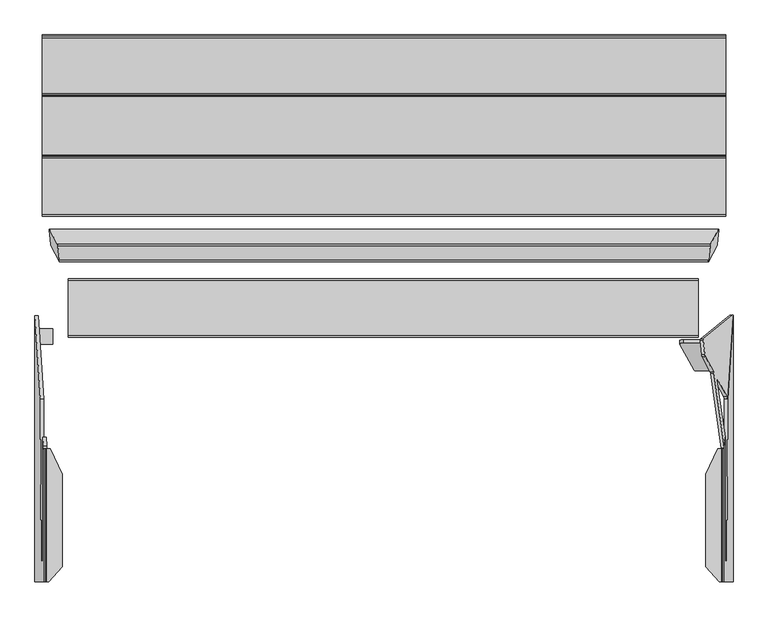
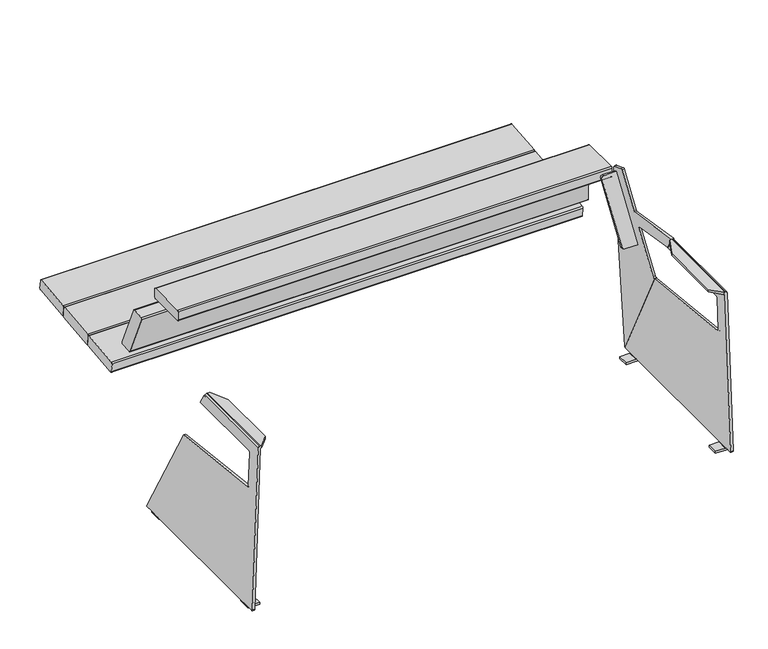
"""IFC4 building model written with IfcOpenShell, lengths in millimetres: furniture geometry."""

from ifc_helpers import new_model, si_unit, point, frame, frame_2d, origin, place, context, project, spatial, polyline, circle_curve, ellipse_curve, trimmed, segment, composite_curve, outline, extrude, source, transform, mapped, element, save
from ifc_brep_helpers import plane_surface, cylinder_surface, revolved_surface, advanced_brep


def furniture_3606b5ed(model_context):
    return source(origin(), model_context, "Body", "SolidModel", [
        advanced_brep(
        [(841.1573374, 515.8225178, 486.5435624), (840.1610678, 510.90581, 489.3411004), (-840.1610677, 510.90581, 489.3411004), (-841.1573372, 515.8225178, 486.5435624), (819.6569441, 472.8508286, 627.8716075), (-819.6569439, 472.8508286, 627.8716075), (819.5114125, 475.6483459, 632.7882793), (-819.5114123, 475.6483459, 632.7882793), (823.4460245, 511.3264532, 642.589505), (-823.4460243, 511.3264532, 642.589505), (824.442294, 516.2431611, 639.7919674), (-824.4422939, 516.2431611, 639.7919674), (844.946419, 554.2981509, 501.2614604), (-844.9464188, 554.2981509, 501.2614604), (845.0919506, 551.5006334, 496.3447884), (-845.0919504, 551.5006334, 496.3447884)],
        [
            (0, 1, ellipse_curve(frame((840.5864368, 514.7629227, 490.4006673), z_axis=(-0.9845272064646966, 0.1381784067166237, -0.10776320173452672), x_axis=(0.17523178858534885, 0.7763454442639485, -0.6054598016712524)), 4.0628639, 4.0)),
            (1, 2),
            (2, 3, ellipse_curve(frame((-840.5864367, 514.7629227, 490.4006673), z_axis=(0.9845272064646966, 0.13817840671662318, -0.10776320173452716), x_axis=(0.175231788585349, -0.776345444263946, 0.6054598016712555)), 4.0628639, 4.0)),
            (3, 0),
            (1, 4),
            (4, 5),
            (5, 2),
            (4, 6, ellipse_curve(frame((820.0823131, 476.7079412, 628.9311745), z_axis=(-0.9845272064646966, 0.1381784067166237, -0.10776320173452672), x_axis=(0.17523178858534885, 0.7763454442639485, -0.6054598016712524)), 4.0628639, 4.0)),
            (6, 7),
            (7, 5, ellipse_curve(frame((-820.0823129, 476.7079412, 628.9311745), z_axis=(0.9845272064646966, 0.13817840671662318, -0.10776320173452716), x_axis=(0.175231788585349, -0.776345444263946, 0.6054598016712555)), 4.0628639, 4.0)),
            (6, 8),
            (8, 9),
            (9, 7),
            (8, 10, ellipse_curve(frame((824.0169251, 512.3860486, 638.7324002), z_axis=(-0.9845272064646966, 0.1381784067166237, -0.10776320173452672), x_axis=(0.17523178858534885, 0.7763454442639485, -0.6054598016712524)), 4.0628639, 4.0)),
            (10, 11),
            (11, 9, ellipse_curve(frame((-824.0169249, 512.3860486, 638.7324002), z_axis=(0.9845272064646966, 0.13817840671662318, -0.10776320173452716), x_axis=(0.175231788585349, -0.776345444263946, 0.6054598016712555)), 4.0628639, 4.0)),
            (10, 12),
            (12, 13),
            (13, 11),
            (12, 14, ellipse_curve(frame((844.52105, 550.4410383, 500.2018933), z_axis=(-0.9845272064646966, 0.1381784067166237, -0.10776320173452672), x_axis=(0.17523178858534885, 0.7763454442639485, -0.6054598016712524)), 4.0628639, 4.0)),
            (14, 15),
            (15, 13, ellipse_curve(frame((-844.5210498, 550.4410383, 500.2018933), z_axis=(0.9845272064646966, 0.13817840671662318, -0.10776320173452716), x_axis=(0.175231788585349, -0.776345444263946, 0.6054598016712555)), 4.0628639, 4.0)),
            (14, 0),
            (3, 15),
        ],
        [
            cylinder_surface(frame((-849.4957131, 514.7629227, 490.4006673), z_axis=(1.0, 0.0, 0.0), x_axis=(0.0, 1.0, 0.0)), 4.0),
            plane_surface(frame((845.3239935, 472.8508286, 627.8716075), z_axis=(0.0, -0.9642781573688654, -0.2648917424558683), x_axis=(-1.0, 0.0, 0.0))),
            cylinder_surface(frame((-849.4957131, 476.7079412, 628.9311745), z_axis=(1.0, 0.0, 0.0), x_axis=(0.0, 1.0, 0.0)), 4.0),
            plane_surface(frame((845.3239935, 511.3264532, 642.589505), z_axis=(0.0, -0.2648988265500034, 0.9642762113069218), x_axis=(-1.0, 0.0, 0.0))),
            cylinder_surface(frame((-849.4957131, 512.3860486, 638.7324002), z_axis=(1.0, 0.0, 0.0), x_axis=(0.0, 1.0, 0.0)), 4.0),
            plane_surface(frame((845.3239935, 554.2981509, 501.2614604), z_axis=(0.0, 0.9642781425237719, 0.26489179649604944), x_axis=(-1.0, 0.0, 0.0))),
            cylinder_surface(frame((-849.4957131, 550.4410383, 500.2018933), z_axis=(1.0, 0.0, 0.0), x_axis=(0.0, 1.0, 0.0)), 4.0),
            plane_surface(frame((845.3239935, 515.8225178, 486.5435624), z_axis=(0.0, 0.26489877507604587, -0.964276225447465), x_axis=(-1.0, 0.0, 0.0))),
            plane_surface(frame((792.9247328, 409.2460037, 790.5410131), z_axis=(0.9845272064646966, -0.1381784067166237, 0.10776320173452672), x_axis=(0.10213209083076619, 0.95220597361255, 0.28787639680792154))),
            plane_surface(frame((-841.6872716, 510.5395139, 474.9279847), z_axis=(-0.9845272064646966, -0.13817840671662318, 0.10776320173452716), x_axis=(-0.10213209083076567, 0.9522059736125502, 0.2878763968079209))),
        ],
        [
            (0, [[1, 2, 3, 4]]),
            (1, [[5, 6, 7, -2]]),
            (2, [[8, 9, 10, -6]]),
            (3, [[11, 12, 13, -9]]),
            (4, [[14, 15, 16, -12]]),
            (5, [[17, 18, 19, -15]]),
            (6, [[20, 21, 22, -18]]),
            (7, [[23, -4, 24, -21]]),
            (8, [[-1, -23, -20, -17, -14, -11, -8, -5]]),
            (9, [[-3, -7, -10, -13, -16, -19, -22, -24]]),
        ],
    ),
        extrude(outline(polyline([(0.0, -19.9999999), (0.0, 0.0), (1612.8148813, 0.0), (1612.8148813, -19.9999999), (0.0, -19.9999999)])), frame((806.271869, 708.9963741, 329.0549245), z_axis=(0.0, -0.10862274800818948, 0.9940830441241564), x_axis=(-1.0, 0.0, 0.0)), (0.0, 0.0, 1.0), 40.0),
        extrude(outline(polyline([(0.0, -20.0), (0.0, 0.0), (1612.8148813, 0.0), (1612.8148813, -20.0), (0.0, -20.0)])), frame((806.271869, 923.2070815, 352.4615763), z_axis=(0.0, -0.10862274800818948, 0.9940830441241564), x_axis=(-1.0, 0.0, 0.0)), (0.0, 0.0, 1.0), 40.0),
        extrude(outline(composite_curve([segment(trimmed(circle_curve(frame_2d((591.158367, 402.3317688)), 4.0), [point((587.181957, 401.8979912))], [point((590.7245263, 406.308172))], False, "CARTESIAN"), True, "CONTINUOUS"), segment(polyline([(590.7245263, 406.308172), (733.6827839, 421.9054614)]), True, "CONTINUOUS"), segment(trimmed(circle_curve(frame_2d((734.1166246, 417.9290582)), 4.0), [point((733.6827839, 421.9054614))], [point((738.0930346, 418.3628359))], False, "CARTESIAN"), True, "CONTINUOUS"), segment(polyline([(738.0930346, 418.3628359), (741.6815989, 385.4667103)]), True, "CONTINUOUS"), segment(trimmed(circle_curve(frame_2d((737.7051889, 385.0329326)), 4.0), [point((741.6815989, 385.4667103))], [point((738.1389665, 381.0565226))], False, "CARTESIAN"), True, "CONTINUOUS"), segment(polyline([(738.1389665, 381.0565226), (595.1804616, 365.461501)]), True, "CONTINUOUS"), segment(trimmed(circle_curve(frame_2d((594.7466839, 369.4379111)), 4.0), [point((595.1804616, 365.461501))], [point((590.7702739, 369.0041334))], False, "CARTESIAN"), True, "CONTINUOUS"), segment(polyline([(590.7702739, 369.0041334), (587.181957, 401.8979912)]), True, "CONTINUOUS")], self_intersect=False)), frame((-862.974681, 0.0, 0.0), z_axis=(1.0, 0.0, 0.0), x_axis=(0.0, 1.0, 0.0)), (0.0, 0.0, 1.0), 1726.4316686),
        extrude(outline(composite_curve([segment(trimmed(circle_curve(frame_2d((742.0694309, 418.7967396)), 4.0), [point((738.0930209, 418.362962))], [point((741.6355902, 422.7731428))], False, "CARTESIAN"), True, "CONTINUOUS"), segment(polyline([(741.6355902, 422.7731428), (888.3456792, 438.7797713)]), True, "CONTINUOUS"), segment(trimmed(circle_curve(frame_2d((888.7795199, 434.8033681)), 4.0), [point((888.3456792, 438.7797713))], [point((892.7559299, 435.2371458))], False, "CARTESIAN"), True, "CONTINUOUS"), segment(polyline([(892.7559299, 435.2371458), (896.3447545, 402.3386345)]), True, "CONTINUOUS"), segment(trimmed(circle_curve(frame_2d((892.3683444, 401.9048569)), 4.0), [point((896.3447545, 402.3386345))], [point((892.8021221, 397.9284468))], False, "CARTESIAN"), True, "CONTINUOUS"), segment(polyline([(892.8021221, 397.9284468), (746.0917792, 381.9241457)]), True, "CONTINUOUS"), segment(trimmed(circle_curve(frame_2d((745.6580016, 385.9005557)), 4.0), [point((746.0917792, 381.9241457))], [point((741.6815915, 385.4667781))], False, "CARTESIAN"), True, "CONTINUOUS"), segment(polyline([(741.6815915, 385.4667781), (738.0930209, 418.362962)]), True, "CONTINUOUS")], self_intersect=False)), frame((-862.974681, 0.0, 0.0), z_axis=(1.0, 0.0, 0.0), x_axis=(0.0, 1.0, 0.0)), (0.0, 0.0, 1.0), 1726.4316686),
        extrude(outline(composite_curve([segment(trimmed(circle_curve(frame_2d((896.7323262, 435.6710496)), 4.0), [point((892.7559162, 435.2372719))], [point((896.2984855, 439.6474527))], False, "CARTESIAN"), True, "CONTINUOUS"), segment(polyline([(896.2984855, 439.6474527), (1036.8835263, 454.9858152)]), True, "CONTINUOUS"), segment(trimmed(circle_curve(frame_2d((1037.317367, 451.009412)), 4.0), [point((1036.8835263, 454.9858152))], [point((1041.2937771, 451.4431896))], False, "CARTESIAN"), True, "CONTINUOUS"), segment(polyline([(1041.2937771, 451.4431896), (1044.8828472, 418.542427)]), True, "CONTINUOUS"), segment(trimmed(circle_curve(frame_2d((1040.9064372, 418.1086494)), 4.0), [point((1044.8828472, 418.542427))], [point((1041.3402148, 414.1322393))], False, "CARTESIAN"), True, "CONTINUOUS"), segment(polyline([(1041.3402148, 414.1322393), (900.7549307, 398.7961071)]), True, "CONTINUOUS"), segment(trimmed(circle_curve(frame_2d((900.3211531, 402.7725171)), 4.0), [point((900.7549307, 398.7961071))], [point((896.344743, 402.3387395))], False, "CARTESIAN"), True, "CONTINUOUS"), segment(polyline([(896.344743, 402.3387395), (892.7559162, 435.2372719)]), True, "CONTINUOUS")], self_intersect=False)), frame((-862.974681, 0.0, 0.0), z_axis=(1.0, 0.0, 0.0), x_axis=(0.0, 1.0, 0.0)), (0.0, 0.0, 1.0), 1726.4316686),
        advanced_brep(
        [(859.6494877, -336.3224978, 634.6042367), (853.6895812, -336.3224978, 640.3596516), (851.4436279, -336.3224978, 640.3596516), (846.5946295, -336.3224978, 640.3596516), (846.5946295, -336.3224978, 632.2382321), (850.2766357, -336.3224978, 632.2382321), (851.7778593, -336.3224978, 630.7885173), (873.3168867, -336.3224978, 13.9914716), (881.3120133, -336.3224978, 14.2706676), (851.7778593, 0.0, 630.7885173), (850.2766357, 0.0, 632.2382321), (842.6377771, 0.0, 632.2382321), (842.6377771, 0.0, 640.3596516), (851.4436279, 0.0, 640.3596516), (853.6895812, 0.0, 640.3596516), (859.6494877, 0.0, 634.6042367), (859.8164077, 0.0, 629.8242748), (851.8212811, 0.0, 629.5450788), (812.6404131, -298.6125202, 632.2382321), (812.6404131, -64.9029098, 632.2382321), (812.6404131, -298.6125202, 640.3596516), (812.6404131, -64.9029098, 640.3596516), (881.4516113, -332.3224978, 10.2731042), (881.4516113, -303.3438949, 10.2731042), (881.4516113, -263.3438949, 10.2731042), (881.4516113, 263.3438949, 10.2731042), (881.4516113, 303.3438949, 10.2731042), (881.4516113, 333.3438949, 10.2731042), (881.4138659, 336.0793859, 11.3539925), (867.5075955, 124.5938136, 409.5774734), (865.9556261, -281.1025506, 454.0200604), (865.8167736, -284.6669706, 457.9962761), (861.3419594, -284.6668873, 586.1381898), (861.2022765, -280.671368, 590.1381847), (861.1901816, 28.5190326, 590.4845362), (859.8164077, 7.626776, 629.8242748), (851.8212811, 7.626776, 629.5450788), (853.1853111, 28.3708474, 590.4843702), (853.1974001, -280.671368, 590.1381847), (853.337083, -284.6668873, 586.1381898), (857.8118973, -284.6669706, 457.9962761), (857.9507498, -281.1025506, 454.0200604), (859.5021169, 124.4363813, 409.5947195), (873.4187392, 336.0793859, 11.0747965), (873.4564847, 333.3438949, 9.9939083), (873.4564847, 303.3438949, 9.9939083), (873.4886988, 303.3438949, 9.0714168), (873.4886988, 263.3438949, 9.0714168), (873.4564847, 263.3438949, 9.9939083), (873.4564847, -263.3438949, 9.9939083), (873.4886988, -263.3438949, 9.0714168), (873.4886988, -303.3438949, 9.0714168), (873.4564847, -303.3438949, 9.9939083), (873.4564847, -332.3224978, 9.9939083), (872.4540437, -303.3438949, 8.0), (835.810356, -303.3438949, 8.0), (835.810356, -303.3438949, 0.0), (873.5140122, -303.3438949, 0.0), (881.4516113, -303.3438949, 8.2703475), (872.4540437, -263.3438949, 8.0), (881.4516113, -263.3438949, 8.2703475), (873.5140122, -263.3438949, 0.0), (835.810356, -263.3438949, 0.0), (835.810356, -263.3438949, 8.0), (872.4540437, 303.3438949, 8.0), (881.4516113, 303.3438949, 8.2703475), (873.5140122, 303.3438949, 0.0), (835.810356, 303.3438949, 0.0), (835.810356, 303.3438949, 8.0), (872.4540437, 263.3438949, 8.0), (835.810356, 263.3438949, 8.0), (835.810356, 263.3438949, 0.0), (873.5140122, 263.3438949, 0.0), (881.4516113, 263.3438949, 8.2703475)],
        [
            (0, 1, circle_curve(frame((853.6895812, -336.3224978, 634.3961122), z_axis=(0.0, -1.0, 0.0), x_axis=(-1.0, 0.0, 0.0)), 5.9635394)),
            (1, 2),
            (2, 3),
            (3, 4),
            (4, 5),
            (5, 6, circle_curve(frame((850.2766357, -336.3224978, 630.7360934), z_axis=(0.0, 1.0, 0.0), x_axis=(-1.0, 0.0, 0.0)), 1.5021387)),
            (6, 7),
            (7, 8),
            (8, 0),
            (9, 10, circle_curve(frame((850.2766357, 0.0, 630.7360934), z_axis=(0.0, -1.0, 0.0), x_axis=(-1.0, 0.0, 0.0)), 1.5021387)),
            (10, 11),
            (11, 12),
            (12, 13),
            (13, 14),
            (14, 15, circle_curve(frame((853.6895812, 0.0, 634.3961122), z_axis=(0.0, 1.0, 0.0), x_axis=(-1.0, 0.0, 0.0)), 5.9635394)),
            (15, 16),
            (16, 17),
            (17, 9),
            (10, 5),
            (4, 18),
            (18, 19),
            (19, 11),
            (18, 20),
            (20, 21),
            (21, 19),
            (2, 13),
            (12, 21),
            (20, 3),
            (1, 14),
            (15, 0),
            (8, 22, circle_curve(frame((881.3120133, -332.3224978, 14.2706676), z_axis=(0.9993908270190959, 0.0, 0.0348994967025008), x_axis=(0.0348994967025008, 0.0, -0.9993908270190959)), 4.0)),
            (22, 23),
            (23, 24),
            (24, 25),
            (25, 26),
            (26, 27),
            (27, 28, circle_curve(frame((881.3120088, 333.3438949, 14.2707962), z_axis=(0.9993908270190959, 0.0, 0.0348994967025008), x_axis=(0.0348994967025008, 0.0, -0.9993908270190959)), 4.0001287)),
            (28, 29),
            (29, 30),
            (30, 31, ellipse_curve(frame((865.8167737, -280.6669706, 457.9962735), z_axis=(-0.9993908270190961, 0.0, -0.03489949670249125), x_axis=(-0.03489949670248915, 0.0, 0.9993908270190963)), 4.0024382, 4.0)),
            (31, 32),
            (32, 33, ellipse_curve(frame((861.3419595, -280.6668873, 586.1381872), z_axis=(-0.9993908270190961, 0.0, -0.03489949670249125), x_axis=(-0.03489949670248915, 0.0, 0.9993908270190963)), 4.0024382, 4.0)),
            (33, 34),
            (34, 35),
            (35, 16),
            (6, 9),
            (17, 36),
            (36, 37),
            (37, 38),
            (38, 39, ellipse_curve(frame((853.3370831, -280.6668873, 586.1381872), z_axis=(0.9993908270190955, 0.0, 0.03489949670250719), x_axis=(-0.03489949670250501, 0.0, 0.9993908270190955)), 4.0024382, 4.0)),
            (39, 40),
            (40, 41, ellipse_curve(frame((857.8118974, -280.6669706, 457.9962735), z_axis=(0.9993908270190955, 0.0, 0.03489949670250719), x_axis=(-0.03489949670250501, 0.0, 0.9993908270190955)), 4.0024382, 4.0)),
            (41, 42),
            (42, 43),
            (43, 44, circle_curve(frame((873.3168822, 333.3438949, 13.9916002), z_axis=(-0.9993908270190959, 0.0, -0.0348994967025008), x_axis=(0.0348994967025008, 0.0, -0.9993908270190959)), 4.0001287)),
            (44, 45),
            (45, 46),
            (46, 47),
            (47, 48),
            (48, 49),
            (49, 50),
            (50, 51),
            (51, 52),
            (52, 53),
            (53, 7, circle_curve(frame((873.3168867, -332.3224978, 13.9914716), z_axis=(-0.9993908270190959, 0.0, -0.0348994967025008), x_axis=(0.0348994967025008, 0.0, -0.9993908270190959)), 4.0)),
            (28, 43),
            (42, 29),
            (36, 35),
            (34, 37),
            (27, 44),
            (26, 45),
            (22, 53),
            (52, 23),
            (24, 49),
            (48, 25),
            (54, 55),
            (55, 56),
            (56, 57),
            (57, 58, circle_curve(frame((873.1742893, -303.3438949, 8.2703475), z_axis=(0.0, -1.0, 0.0), x_axis=(-1.0, 0.0, 0.0)), 8.277322)),
            (58, 23),
            (51, 54, circle_curve(frame((872.4540437, -303.3438949, 9.0352858), z_axis=(0.0, 1.0, 0.0), x_axis=(-1.0, 0.0, 0.0)), 1.0352858)),
            (59, 50, circle_curve(frame((872.4540437, -263.3438949, 9.0352858), z_axis=(0.0, -1.0, 0.0), x_axis=(-1.0, 0.0, 0.0)), 1.0352858)),
            (24, 60),
            (60, 61, circle_curve(frame((873.1742893, -263.3438949, 8.2703475), z_axis=(0.0, 1.0, 0.0), x_axis=(-1.0, 0.0, 0.0)), 8.277322)),
            (61, 62),
            (62, 63),
            (63, 59),
            (59, 54),
            (56, 62),
            (61, 57),
            (55, 63),
            (58, 60),
            (64, 46, circle_curve(frame((872.4540437, 303.3438949, 9.0352858), z_axis=(0.0, -1.0, 0.0), x_axis=(-1.0, 0.0, 0.0)), 1.0352858)),
            (26, 65),
            (65, 66, circle_curve(frame((873.1742893, 303.3438949, 8.2703475), z_axis=(0.0, 1.0, 0.0), x_axis=(-1.0, 0.0, 0.0)), 8.277322)),
            (66, 67),
            (67, 68),
            (68, 64),
            (69, 70),
            (70, 71),
            (71, 72),
            (72, 73, circle_curve(frame((873.1742893, 263.3438949, 8.2703475), z_axis=(0.0, -1.0, 0.0), x_axis=(-1.0, 0.0, 0.0)), 8.277322)),
            (73, 25),
            (47, 69, circle_curve(frame((872.4540437, 263.3438949, 9.0352858), z_axis=(0.0, 1.0, 0.0), x_axis=(-1.0, 0.0, 0.0)), 1.0352858)),
            (64, 69),
            (66, 72),
            (71, 67),
            (70, 68),
            (73, 65),
            (33, 38),
            (32, 39),
            (31, 40),
            (30, 41),
        ],
        [
            plane_surface(frame((847.7260418, -336.3224978, 634.3961122), z_axis=(0.0, -1.0, 0.0), x_axis=(0.0, 0.0, -1.0))),
            plane_surface(frame((847.7260418, 0.0, 634.3961122), z_axis=(0.0, 1.0, 0.0), x_axis=(0.0, 0.0, 1.0))),
            plane_surface(frame((812.6404131, -336.3224978, 632.2382321), z_axis=(0.0, 0.0, -1.0), x_axis=(0.0, 1.0, 0.0))),
            plane_surface(frame((812.6404131, -336.3224978, 640.3596516), z_axis=(-1.0, 0.0, 0.0), x_axis=(0.0, 1.0, 0.0))),
            plane_surface(frame((851.4436279, -336.3224978, 640.3596516), z_axis=(0.0, 0.0, 1.0), x_axis=(0.0, 1.0, 0.0))),
            plane_surface(frame((853.6895812, -336.3224978, 640.3596516), z_axis=(0.0, 0.0, 1.0), x_axis=(0.0, 1.0, 0.0))),
            plane_surface(frame((859.8862566, -336.3224978, 627.8240627), z_axis=(0.9993908270190961, 0.0, 0.03489949670249125), x_axis=(0.0, 1.0, 0.0))),
            cylinder_surface(frame((853.6895812, 0.0, 634.3961122), z_axis=(0.0, -1.0, 0.0), x_axis=(-1.0, 0.0, 0.0)), 5.9635394),
            plane_surface(frame((851.7778593, -336.3224978, 630.7885173), z_axis=(-0.9993908270190955, 0.0, -0.03489949670250719), x_axis=(0.0, 1.0, 0.0))),
            revolved_surface(polyline([(848.774497, 0.0, 630.7360934), (848.774497, -336.3224978, 630.7360934)]), (850.2766357, 0.0, 630.7360934), (0.0, 1.0, 0.0)),
            plane_surface(frame((842.6377771, 0.0, 616.5713791), z_axis=(-0.9077348201474655, 0.419544391324504, 0.0), x_axis=(0.0, 0.0, 1.0))),
            plane_surface(frame((812.6352383, -298.6067729, 616.5713791), z_axis=(-0.7431448254773966, -0.6691306063588557, 0.0), x_axis=(0.0, 0.0, 1.0))),
            plane_surface(frame((881.4138659, 336.0793859, 11.3539925), z_axis=(-0.01636123681982897, 0.8832989769010681, 0.46852452159438995), x_axis=(-0.9993908270190958, 0.0, -0.034899496702500754))),
            cylinder_surface(frame((873.3168822, 333.3438949, 13.9916002), z_axis=(0.9993908270190959, 0.0, 0.0348994967025008), x_axis=(0.0348994967025008, 0.0, -0.9993908270190959)), 4.0001287),
            plane_surface(frame((881.4516113, -332.3224978, 10.2731042), z_axis=(0.034899496702500754, 0.0, -0.9993908270190958), x_axis=(-0.9993908270190958, 0.0, -0.034899496702500754))),
            cylinder_surface(frame((873.3168867, -332.3224978, 13.9914716), z_axis=(0.9993908270190959, 0.0, 0.0348994967025008), x_axis=(0.0348994967025008, 0.0, -0.9993908270190959)), 4.0),
            plane_surface(frame((859.8164077, 7.626776, 629.8242748), z_axis=(-0.034899496702506035, 0.0, 0.9993908270190955), x_axis=(-0.9993908270190955, 0.0, -0.034899496702506035))),
            plane_surface(frame((835.810356, -303.3438949, 8.0), z_axis=(0.0, -1.0, 0.0), x_axis=(-1.0, 0.0, 0.0))),
            plane_surface(frame((835.810356, -263.3438949, 8.0), z_axis=(0.0, 1.0, 0.0), x_axis=(1.0, 0.0, 0.0))),
            revolved_surface(polyline([(871.4187579000001, -263.3438949, 9.0352858), (871.4187579000001, -303.3438949, 9.0352858)]), (872.4540437, -263.3438949, 9.0352858), (0.0, 1.0, 0.0)),
            plane_surface(frame((835.810356, -303.3438949, 0.0), z_axis=(0.0, 0.0, -1.0), x_axis=(0.0, 1.0, 0.0))),
            plane_surface(frame((835.810356, -303.3438949, 8.0), z_axis=(-1.0, 0.0, 0.0), x_axis=(0.0, 1.0, 0.0))),
            plane_surface(frame((872.4540437, -303.3438949, 8.0), z_axis=(0.0, 0.0, 1.0), x_axis=(0.0, 1.0, 0.0))),
            plane_surface(frame((881.4516113, -303.3438949, 8.2703475), z_axis=(1.0, 0.0, 0.0), x_axis=(0.0, 1.0, 0.0))),
            cylinder_surface(frame((873.1742893, -263.3438949, 8.2703475), z_axis=(0.0, -1.0, 0.0), x_axis=(-1.0, 0.0, 0.0)), 8.277322),
            plane_surface(frame((871.4187578, 303.3438949, 9.0352858), z_axis=(0.0, 1.0, 0.0), x_axis=(0.0, 0.0, -1.0))),
            plane_surface(frame((871.4187578, 263.3438949, 9.0352858), z_axis=(0.0, -1.0, 0.0), x_axis=(0.0, 0.0, 1.0))),
            revolved_surface(polyline([(871.4187579000001, 263.3438949, 9.0352858), (871.4187579000001, 303.3438949, 9.0352858)]), (872.4540437, 263.3438949, 9.0352858), (0.0, -1.0, 0.0)),
            plane_surface(frame((873.5140122, 303.3438949, 0.0), z_axis=(0.0, 0.0, -1.0), x_axis=(0.0, -1.0, 0.0))),
            plane_surface(frame((835.810356, 303.3438949, 0.0), z_axis=(-1.0, 0.0, 0.0), x_axis=(0.0, -1.0, 0.0))),
            plane_surface(frame((835.810356, 303.3438949, 8.0), z_axis=(0.0, 0.0, 1.0), x_axis=(0.0, -1.0, 0.0))),
            plane_surface(frame((881.4516113, 303.3438949, 10.2731042), z_axis=(1.0, 0.0, 0.0), x_axis=(0.0, -1.0, 0.0))),
            cylinder_surface(frame((873.1742893, 263.3438949, 8.2703475), z_axis=(0.0, 1.0, 0.0), x_axis=(-1.0, 0.0, 0.0)), 8.277322),
            plane_surface(frame((812.6404131, -280.671368, 590.1381847), z_axis=(0.0, 0.0011201877232388624, -0.9999993725895355), x_axis=(1.0, 0.0, 0.0))),
            revolved_surface(polyline([(853.1974000212371, -284.6668873, 586.1381872), (861.4816425787628, -284.6668873, 586.1381872)]), (919.9232064, -280.6668873, 586.1381872), (-1.0, 0.0, 0.0)),
            plane_surface(frame((812.6404131, -284.6669706, 457.9962761), z_axis=(0.0, 0.9999999999997885, -6.504329964730784e-07), x_axis=(1.0, 0.0, 0.0))),
            revolved_surface(polyline([(857.6722143212371, -284.6669706, 457.9962735), (865.9564567787628, -284.6669706, 457.9962735)]), (919.9232064, -280.6669706, 457.9962735), (-1.0, 0.0, 0.0)),
            plane_surface(frame((812.6404131, 124.8590494, 409.5484177), z_axis=(0.0, 0.10889498268372896, 0.994053259511939), x_axis=(1.0, 0.0, 0.0))),
        ],
        [
            (0, [[1, 2, 3, 4, 5, 6, 7, 8, 9]]),
            (1, [[10, 11, 12, 13, 14, 15, 16, 17, 18]]),
            (2, [[19, -5, 20, 21, 22, -11]]),
            (3, [[-21, 23, 24, 25]]),
            (4, [[26, -13, 27, -24, 28, -3]]),
            (5, [[-2, 29, -14, -26]]),
            (6, [[30, -9, 31, 32, 33, 34, 35, 36, 37, 38, 39, 40, 41, 42, 43, 44, 45, -16]]),
            (7, [[-1, -30, -15, -29]]),
            (8, [[46, -18, 47, 48, 49, 50, 51, 52, 53, 54, 55, 56, 57, 58, 59, 60, 61, 62, 63, 64, 65, -7]]),
            (9, [[-6, -19, -10, -46]]),
            (10, [[-12, -22, -25, -27]]),
            (11, [[-4, -28, -23, -20]]),
            (12, [[66, -54, 67, -38]]),
            (12, [[68, -44, 69, -48]]),
            (13, [[-37, 70, -55, -66]]),
            (14, [[-70, -36, 71, -56]]),
            (14, [[72, -64, 73, -32]]),
            (14, [[74, -60, 75, -34]]),
            (15, [[-31, -8, -65, -72]]),
            (16, [[-68, -47, -17, -45]]),
            (17, [[76, 77, 78, 79, 80, -73, -63, 81]]),
            (18, [[82, -61, -74, 83, 84, 85, 86, 87]]),
            (19, [[-81, -62, -82, 88]]),
            (20, [[-78, 89, -85, 90]]),
            (21, [[-77, 91, -86, -89]]),
            (22, [[-76, -88, -87, -91]]),
            (23, [[-80, 92, -83, -33]]),
            (24, [[-79, -90, -84, -92]]),
            (25, [[93, -57, -71, 94, 95, 96, 97, 98]]),
            (26, [[99, 100, 101, 102, 103, -75, -59, 104]]),
            (27, [[-93, 105, -104, -58]]),
            (28, [[-96, 106, -101, 107]]),
            (29, [[-97, -107, -100, 108]]),
            (30, [[-98, -108, -99, -105]]),
            (31, [[-94, -35, -103, 109]]),
            (32, [[-95, -109, -102, -106]]),
            (33, [[110, -49, -69, -43]]),
            (34, [[-110, -42, 111, -50]]),
            (35, [[-111, -41, 112, -51]]),
            (36, [[-112, -40, 113, -52]]),
            (37, [[-113, -39, -67, -53]]),
        ],
    ),
        advanced_brep(
        [(-851.7778593, -336.3224978, 630.7885173), (-850.2766357, -336.3224978, 632.2382321), (-846.5946295, -336.3224978, 632.2382321), (-846.5946295, -336.3224978, 640.3596516), (-851.4436279, -336.3224978, 640.3596516), (-853.6895812, -336.3224978, 640.3596516), (-859.6494877, -336.3224978, 634.6042367), (-881.3120133, -336.3224978, 14.2706676), (-873.3168867, -336.3224978, 13.9914716), (-859.6494877, 0.0, 634.6042367), (-853.6895812, 0.0, 640.3596516), (-851.4436279, 0.0, 640.3596516), (-842.6377771, 0.0, 640.3596516), (-842.6377771, 0.0, 632.2382321), (-850.2766357, 0.0, 632.2382321), (-851.7778593, 0.0, 630.7885173), (-851.8212811, 0.0, 629.5450788), (-859.8164077, 0.0, 629.8242748), (-812.6404131, -64.9029098, 632.2382321), (-812.6404131, -298.6125202, 632.2382321), (-812.6404131, -64.9029098, 640.3596516), (-812.6404131, -298.6125202, 640.3596516), (-859.8164077, 7.626776, 629.8242748), (-861.1901816, 28.5190326, 590.4845362), (-861.2022765, -280.671368, 590.1381847), (-861.3419594, -284.6668873, 586.1381898), (-865.8167736, -284.6669706, 457.9962761), (-865.9556261, -281.1025506, 454.0200604), (-867.5075955, 124.5938136, 409.5774734), (-881.4138659, 336.0793859, 11.3539925), (-881.4516113, 333.3438949, 10.2731042), (-881.4516113, 303.3438949, 10.2731042), (-881.4516113, 263.3438949, 10.2731042), (-881.4516113, -263.3438949, 10.2731042), (-881.4516113, -303.3438949, 10.2731042), (-881.4516113, -332.3224978, 10.2731042), (-873.4564847, -332.3224978, 9.9939083), (-873.4564847, -303.3438949, 9.9939083), (-873.4886988, -303.3438949, 9.0714168), (-873.4886988, -263.3438949, 9.0714168), (-873.4564847, -263.3438949, 9.9939083), (-873.4564847, 263.3438949, 9.9939083), (-873.4886988, 263.3438949, 9.0714168), (-873.4886988, 303.3438949, 9.0714168), (-873.4564847, 303.3438949, 9.9939083), (-873.4564847, 333.3438949, 9.9939083), (-873.4187392, 336.0793859, 11.0747965), (-859.5021169, 124.4363813, 409.5947195), (-857.9507498, -281.1025506, 454.0200604), (-857.8118973, -284.6669706, 457.9962761), (-853.337083, -284.6668873, 586.1381898), (-853.1974001, -280.671368, 590.1381847), (-853.1853111, 28.3708474, 590.4843702), (-851.8212811, 7.626776, 629.5450788), (-872.4540437, -303.3438949, 8.0), (-881.4516113, -303.3438949, 8.2703475), (-873.5140122, -303.3438949, 0.0), (-835.810356, -303.3438949, 0.0), (-835.810356, -303.3438949, 8.0), (-872.4540437, -263.3438949, 8.0), (-835.810356, -263.3438949, 8.0), (-835.810356, -263.3438949, 0.0), (-873.5140122, -263.3438949, 0.0), (-881.4516113, -263.3438949, 8.2703475), (-872.4540437, 303.3438949, 8.0), (-835.810356, 303.3438949, 8.0), (-835.810356, 303.3438949, 0.0), (-873.5140122, 303.3438949, 0.0), (-881.4516113, 303.3438949, 8.2703475), (-872.4540437, 263.3438949, 8.0), (-881.4516113, 263.3438949, 8.2703475), (-873.5140122, 263.3438949, 0.0), (-835.810356, 263.3438949, 0.0), (-835.810356, 263.3438949, 8.0)],
        [
            (0, 1, circle_curve(frame((-850.2766357, -336.3224978, 630.7360934), z_axis=(0.0, 1.0, 0.0), x_axis=(1.0, 0.0, 0.0)), 1.5021387)),
            (1, 2),
            (2, 3),
            (3, 4),
            (4, 5),
            (5, 6, circle_curve(frame((-853.6895812, -336.3224978, 634.3961122), z_axis=(0.0, -1.0, 0.0), x_axis=(1.0, 0.0, 0.0)), 5.9635394)),
            (6, 7),
            (7, 8),
            (8, 0),
            (9, 10, circle_curve(frame((-853.6895812, 0.0, 634.3961122), z_axis=(0.0, 1.0, 0.0), x_axis=(1.0, 0.0, 0.0)), 5.9635394)),
            (10, 11),
            (11, 12),
            (12, 13),
            (13, 14),
            (14, 15, circle_curve(frame((-850.2766357, 0.0, 630.7360934), z_axis=(0.0, -1.0, 0.0), x_axis=(1.0, 0.0, 0.0)), 1.5021387)),
            (15, 16),
            (16, 17),
            (17, 9),
            (1, 14),
            (13, 18),
            (18, 19),
            (19, 2),
            (18, 20),
            (20, 21),
            (21, 19),
            (11, 4),
            (3, 21),
            (20, 12),
            (10, 5),
            (6, 9),
            (17, 22),
            (22, 23),
            (23, 24),
            (24, 25, ellipse_curve(frame((-861.3419595, -280.6668873, 586.1381872), z_axis=(0.9993908270190961, 0.0, -0.03489949670249125), x_axis=(0.03489949670248915, 0.0, 0.9993908270190963)), 4.0024382, 4.0)),
            (25, 26),
            (26, 27, ellipse_curve(frame((-865.8167737, -280.6669706, 457.9962735), z_axis=(0.9993908270190961, 0.0, -0.03489949670249125), x_axis=(0.03489949670248915, 0.0, 0.9993908270190963)), 4.0024382, 4.0)),
            (27, 28),
            (28, 29),
            (29, 30, circle_curve(frame((-881.3120088, 333.3438949, 14.2707962), z_axis=(-0.9993908270190959, 0.0, 0.0348994967025008), x_axis=(-0.0348994967025008, 0.0, -0.9993908270190959)), 4.0001287)),
            (30, 31),
            (31, 32),
            (32, 33),
            (33, 34),
            (34, 35),
            (35, 7, circle_curve(frame((-881.3120133, -332.3224978, 14.2706676), z_axis=(-0.9993908270190959, 0.0, 0.0348994967025008), x_axis=(-0.0348994967025008, 0.0, -0.9993908270190959)), 4.0)),
            (15, 0),
            (8, 36, circle_curve(frame((-873.3168867, -332.3224978, 13.9914716), z_axis=(0.9993908270190959, 0.0, -0.0348994967025008), x_axis=(-0.0348994967025008, 0.0, -0.9993908270190959)), 4.0)),
            (36, 37),
            (37, 38),
            (38, 39),
            (39, 40),
            (40, 41),
            (41, 42),
            (42, 43),
            (43, 44),
            (44, 45),
            (45, 46, circle_curve(frame((-873.3168822, 333.3438949, 13.9916002), z_axis=(0.9993908270190959, 0.0, -0.0348994967025008), x_axis=(-0.0348994967025008, 0.0, -0.9993908270190959)), 4.0001287)),
            (46, 47),
            (47, 48),
            (48, 49, ellipse_curve(frame((-857.8118974, -280.6669706, 457.9962735), z_axis=(-0.9993908270190955, 0.0, 0.03489949670250719), x_axis=(0.03489949670250501, 0.0, 0.9993908270190955)), 4.0024382, 4.0)),
            (49, 50),
            (50, 51, ellipse_curve(frame((-853.3370831, -280.6668873, 586.1381872), z_axis=(-0.9993908270190955, 0.0, 0.03489949670250719), x_axis=(0.03489949670250501, 0.0, 0.9993908270190955)), 4.0024382, 4.0)),
            (51, 52),
            (52, 53),
            (53, 16),
            (22, 53),
            (52, 23),
            (46, 29),
            (28, 47),
            (45, 30),
            (44, 31),
            (36, 35),
            (34, 37),
            (40, 33),
            (32, 41),
            (54, 38, circle_curve(frame((-872.4540437, -303.3438949, 9.0352858), z_axis=(0.0, 1.0, 0.0), x_axis=(1.0, 0.0, 0.0)), 1.0352858)),
            (34, 55),
            (55, 56, circle_curve(frame((-873.1742893, -303.3438949, 8.2703475), z_axis=(0.0, -1.0, 0.0), x_axis=(1.0, 0.0, 0.0)), 8.277322)),
            (56, 57),
            (57, 58),
            (58, 54),
            (59, 60),
            (60, 61),
            (61, 62),
            (62, 63, circle_curve(frame((-873.1742893, -263.3438949, 8.2703475), z_axis=(0.0, 1.0, 0.0), x_axis=(1.0, 0.0, 0.0)), 8.277322)),
            (63, 33),
            (39, 59, circle_curve(frame((-872.4540437, -263.3438949, 9.0352858), z_axis=(0.0, -1.0, 0.0), x_axis=(1.0, 0.0, 0.0)), 1.0352858)),
            (54, 59),
            (56, 62),
            (61, 57),
            (60, 58),
            (63, 55),
            (64, 65),
            (65, 66),
            (66, 67),
            (67, 68, circle_curve(frame((-873.1742893, 303.3438949, 8.2703475), z_axis=(0.0, 1.0, 0.0), x_axis=(1.0, 0.0, 0.0)), 8.277322)),
            (68, 31),
            (43, 64, circle_curve(frame((-872.4540437, 303.3438949, 9.0352858), z_axis=(0.0, -1.0, 0.0), x_axis=(1.0, 0.0, 0.0)), 1.0352858)),
            (69, 42, circle_curve(frame((-872.4540437, 263.3438949, 9.0352858), z_axis=(0.0, 1.0, 0.0), x_axis=(1.0, 0.0, 0.0)), 1.0352858)),
            (32, 70),
            (70, 71, circle_curve(frame((-873.1742893, 263.3438949, 8.2703475), z_axis=(0.0, -1.0, 0.0), x_axis=(1.0, 0.0, 0.0)), 8.277322)),
            (71, 72),
            (72, 73),
            (73, 69),
            (69, 64),
            (66, 72),
            (71, 67),
            (65, 73),
            (68, 70),
            (51, 24),
            (50, 25),
            (49, 26),
            (48, 27),
        ],
        [
            plane_surface(frame((-859.8862566, -336.3224978, 627.8240627), z_axis=(0.0, -1.0, 0.0), x_axis=(-0.03489949670249125, 0.0, -0.9993908270190961))),
            plane_surface(frame((-859.8862566, 0.0, 627.8240627), z_axis=(0.0, 1.0, 0.0), x_axis=(0.03489949670249125, 0.0, 0.9993908270190961))),
            plane_surface(frame((-850.2766357, -336.3224978, 632.2382321), z_axis=(0.0, 0.0, -1.0), x_axis=(0.0, 1.0, 0.0))),
            plane_surface(frame((-812.6404131, -336.3224978, 632.2382321), z_axis=(1.0, 0.0, 0.0), x_axis=(0.0, 1.0, 0.0))),
            plane_surface(frame((-812.6404131, -336.3224978, 640.3596516), z_axis=(0.0, 0.0, 1.0), x_axis=(0.0, 1.0, 0.0))),
            plane_surface(frame((-851.4436279, -336.3224978, 640.3596516), z_axis=(0.0, 0.0, 1.0), x_axis=(0.0, 1.0, 0.0))),
            plane_surface(frame((-859.6494877, -336.3224978, 634.6042367), z_axis=(-0.9993908270190961, 0.0, 0.03489949670249125), x_axis=(0.0, 1.0, 0.0))),
            cylinder_surface(frame((-853.6895812, 0.0, 634.3961122), z_axis=(0.0, -1.0, 0.0), x_axis=(1.0, 0.0, 0.0)), 5.9635394),
            plane_surface(frame((-851.89113, -336.3224978, 627.5448667), z_axis=(0.9993908270190955, 0.0, -0.03489949670250719), x_axis=(0.0, 1.0, 0.0))),
            revolved_surface(polyline([(-848.774497, 0.0, 630.7360934), (-848.774497, -336.3224978, 630.7360934)]), (-850.2766357, 0.0, 630.7360934), (0.0, 1.0, 0.0)),
            plane_surface(frame((-812.6418555, -64.8997891, 616.5713791), z_axis=(0.9077348201474655, 0.419544391324504, 0.0), x_axis=(0.0, 0.0, 1.0))),
            plane_surface(frame((-846.5946295, -336.3224978, 616.5713791), z_axis=(0.7431448254773966, -0.6691306063588557, 0.0), x_axis=(0.0, 0.0, 1.0))),
            plane_surface(frame((-859.8164077, 7.626776, 629.8242748), z_axis=(0.016361236819831444, 0.8832989769010682, 0.4685245215943898), x_axis=(0.9993908270190955, 0.0, -0.034899496702506035))),
            cylinder_surface(frame((-873.3168822, 333.3438949, 13.9916002), z_axis=(-0.9993908270190959, 0.0, 0.0348994967025008), x_axis=(-0.0348994967025008, 0.0, -0.9993908270190959)), 4.0001287),
            plane_surface(frame((-881.4516113, 333.3438949, 10.2731042), z_axis=(-0.03489949670248914, 0.0, -0.9993908270190962), x_axis=(0.9993908270190962, 0.0, -0.03489949670248914))),
            cylinder_surface(frame((-873.3168867, -332.3224978, 13.9914716), z_axis=(-0.9993908270190959, 0.0, 0.0348994967025008), x_axis=(-0.0348994967025008, 0.0, -0.9993908270190959)), 4.0),
            plane_surface(frame((-859.8164077, -336.3224978, 629.8242748), z_axis=(0.034899496702506035, 0.0, 0.9993908270190955), x_axis=(0.9993908270190955, 0.0, -0.034899496702506035))),
            plane_surface(frame((-871.4187578, -303.3438949, 9.0352858), z_axis=(0.0, -1.0, 0.0), x_axis=(0.0, 0.0, -1.0))),
            plane_surface(frame((-871.4187578, -263.3438949, 9.0352858), z_axis=(0.0, 1.0, 0.0), x_axis=(0.0, 0.0, 1.0))),
            revolved_surface(polyline([(-871.4187579000001, -263.3438949, 9.0352858), (-871.4187579000001, -303.3438949, 9.0352858)]), (-872.4540437, -263.3438949, 9.0352858), (0.0, 1.0, 0.0)),
            plane_surface(frame((-873.5140122, -303.3438949, 0.0), z_axis=(0.0, 0.0, -1.0), x_axis=(0.0, 1.0, 0.0))),
            plane_surface(frame((-835.810356, -303.3438949, 0.0), z_axis=(1.0, 0.0, 0.0), x_axis=(0.0, 1.0, 0.0))),
            plane_surface(frame((-835.810356, -303.3438949, 8.0), z_axis=(0.0, 0.0, 1.0), x_axis=(0.0, 1.0, 0.0))),
            plane_surface(frame((-881.4516113, -303.3438949, 10.2731042), z_axis=(-1.0, 0.0, 0.0), x_axis=(0.0, 1.0, 0.0))),
            cylinder_surface(frame((-873.1742893, -263.3438949, 8.2703475), z_axis=(0.0, -1.0, 0.0), x_axis=(1.0, 0.0, 0.0)), 8.277322),
            plane_surface(frame((-835.810356, 303.3438949, 8.0), z_axis=(0.0, 1.0, 0.0), x_axis=(1.0, 0.0, 0.0))),
            plane_surface(frame((-835.810356, 263.3438949, 8.0), z_axis=(0.0, -1.0, 0.0), x_axis=(-1.0, 0.0, 0.0))),
            revolved_surface(polyline([(-871.4187579000001, 263.3438949, 9.0352858), (-871.4187579000001, 303.3438949, 9.0352858)]), (-872.4540437, 263.3438949, 9.0352858), (0.0, -1.0, 0.0)),
            plane_surface(frame((-835.810356, 303.3438949, 0.0), z_axis=(0.0, 0.0, -1.0), x_axis=(0.0, -1.0, 0.0))),
            plane_surface(frame((-835.810356, 303.3438949, 8.0), z_axis=(1.0, 0.0, 0.0), x_axis=(0.0, -1.0, 0.0))),
            plane_surface(frame((-872.4540437, 303.3438949, 8.0), z_axis=(0.0, 0.0, 1.0), x_axis=(0.0, -1.0, 0.0))),
            plane_surface(frame((-881.4516113, 303.3438949, 8.2703475), z_axis=(-1.0, 0.0, 0.0), x_axis=(0.0, -1.0, 0.0))),
            cylinder_surface(frame((-873.1742893, 263.3438949, 8.2703475), z_axis=(0.0, 1.0, 0.0), x_axis=(1.0, 0.0, 0.0)), 8.277322),
            plane_surface(frame((-812.6404131, 174.5518534, 590.6481205), z_axis=(0.0, 0.0011201877232388624, -0.9999993725895355), x_axis=(-1.0, 0.0, 0.0))),
            revolved_surface(polyline([(-853.1974000212371, -284.6668873, 586.1381872), (-861.4816425787628, -284.6668873, 586.1381872)]), (-919.9232064, -280.6668873, 586.1381872), (1.0, 0.0, 0.0)),
            plane_surface(frame((-812.6404131, -284.6668873, 586.1381898), z_axis=(0.0, 0.9999999999997885, -6.504329964730784e-07), x_axis=(-1.0, 0.0, 0.0))),
            revolved_surface(polyline([(-857.6722143212371, -284.6669706, 457.9962735), (-865.9564567787628, -284.6669706, 457.9962735)]), (-919.9232064, -280.6669706, 457.9962735), (1.0, 0.0, 0.0)),
            plane_surface(frame((-812.6404131, -281.1025506, 454.0200604), z_axis=(0.0, 0.10889498268372896, 0.994053259511939), x_axis=(-1.0, 0.0, 0.0))),
        ],
        [
            (0, [[1, 2, 3, 4, 5, 6, 7, 8, 9]]),
            (1, [[10, 11, 12, 13, 14, 15, 16, 17, 18]]),
            (2, [[19, -14, 20, 21, 22, -2]]),
            (3, [[-21, 23, 24, 25]]),
            (4, [[26, -4, 27, -24, 28, -12]]),
            (5, [[-5, -26, -11, 29]]),
            (6, [[30, -18, 31, 32, 33, 34, 35, 36, 37, 38, 39, 40, 41, 42, 43, 44, 45, -7]]),
            (7, [[-6, -29, -10, -30]]),
            (8, [[46, -9, 47, 48, 49, 50, 51, 52, 53, 54, 55, 56, 57, 58, 59, 60, 61, 62, 63, 64, 65, -16]]),
            (9, [[-1, -46, -15, -19]]),
            (10, [[-13, -28, -23, -20]]),
            (11, [[-3, -22, -25, -27]]),
            (12, [[66, -64, 67, -32]]),
            (12, [[68, -38, 69, -58]]),
            (13, [[-39, -68, -57, 70]]),
            (14, [[-70, -56, 71, -40]]),
            (14, [[72, -44, 73, -48]]),
            (14, [[74, -42, 75, -52]]),
            (15, [[-45, -72, -47, -8]]),
            (16, [[-66, -31, -17, -65]]),
            (17, [[76, -49, -73, 77, 78, 79, 80, 81]]),
            (18, [[82, 83, 84, 85, 86, -74, -51, 87]]),
            (19, [[-76, 88, -87, -50]]),
            (20, [[-79, 89, -84, 90]]),
            (21, [[-80, -90, -83, 91]]),
            (22, [[-81, -91, -82, -88]]),
            (23, [[-77, -43, -86, 92]]),
            (24, [[-78, -92, -85, -89]]),
            (25, [[93, 94, 95, 96, 97, -71, -55, 98]]),
            (26, [[99, -53, -75, 100, 101, 102, 103, 104]]),
            (27, [[-98, -54, -99, 105]]),
            (28, [[-95, 106, -102, 107]]),
            (29, [[-94, 108, -103, -106]]),
            (30, [[-93, -105, -104, -108]]),
            (31, [[-97, 109, -100, -41]]),
            (32, [[-96, -107, -101, -109]]),
            (33, [[110, -33, -67, -63]]),
            (34, [[-110, -62, 111, -34]]),
            (35, [[-111, -61, 112, -35]]),
            (36, [[-112, -60, 113, -36]]),
            (37, [[-113, -59, -69, -37]]),
        ],
    ),
        advanced_brep(
        [(791.2328587, 205.1005271, 503.3842593), (783.301588, 206.9046912, 509.9877088), (747.1427984, 272.5788357, 749.0639533), (755.0440225, 275.0158862, 757.8881152), (800.2290396, 275.0977695, 757.9536062), (837.8982285, 205.1850931, 503.4518959), (755.0563553, 266.2922205, 760.2863677), (747.1551312, 263.8551701, 751.4622058), (783.3139208, 198.1810256, 512.3859614), (791.2451915, 196.3768615, 505.7825119), (838.8596981, 196.4631475, 505.8515241), (801.1905091, 266.3758239, 760.3532344), (880.8633489, 337.9713039, 14.8944279), (806.2060941, 277.1577, 774.9426086), (806.2223905, 274.267721, 778.499374), (810.120629, 238.2446052, 789.0752934), (811.1014693, 233.3654515, 786.3705641), (832.2804167, 194.0587936, 643.2798026), (833.1217155, 190.2995977, 640.4138721), (859.5577941, 1.98384, 640.3594265), (861.2994828, 28.470929, 590.4844823), (840.7791117, 174.5518534, 590.6481205), (840.7909312, 178.4134646, 585.5886209), (866.2037222, 131.2504543, 413.8911008), (867.5760922, 124.8590494, 409.5484177), (867.61676, 124.5422214, 409.5831251), (881.5280215, 336.1005897, 11.2206695), (872.9871313, 336.8658767, 14.0323223), (873.6518039, 334.9951625, 10.3585639), (859.704087, 122.8823921, 409.7649535), (859.4503645, 124.8590494, 409.5484177), (858.0779945, 131.2504543, 413.8911008), (832.6652035, 178.4134646, 585.5886209), (832.653384, 174.5518534, 590.6481205), (853.3932206, 26.9085927, 590.4827322), (851.6815764, 0.8784127, 639.4973209), (825.2454978, 189.1941704, 639.5517666), (824.4041991, 192.9533663, 642.417697), (803.2252516, 232.2600242, 785.5084585), (802.2444113, 237.139178, 788.2131877), (798.3461729, 273.1622937, 777.6372684), (798.3298764, 276.0522727, 774.080503)],
        [
            (0, 1, circle_curve(frame((791.2178354, 207.2211344, 511.098065), z_axis=(-0.0013631459484884575, 0.9642258427672699, -0.26507860338562134), x_axis=(-0.14431455675225047, 0.2621142782788855, 0.9541852093968658)), 8.0)),
            (1, 2),
            (2, 3, circle_curve(frame((755.0590458, 272.8952788, 750.1743095), z_axis=(-0.0013631459484884575, 0.9642258427672699, -0.26507860338562134), x_axis=(-0.14431455675225047, 0.2621142782788855, 0.9541852093968658)), 8.0)),
            (3, 4),
            (4, 5),
            (5, 0),
            (6, 7, circle_curve(frame((755.0713786, 264.1716132, 752.572562), z_axis=(0.0013631459484884575, -0.9642258427672699, 0.26507860338562134), x_axis=(-0.14431455675225047, 0.2621142782788855, 0.9541852093968658)), 8.0)),
            (7, 8),
            (8, 9, circle_curve(frame((791.2301682, 198.4974688, 513.4963176), z_axis=(0.0013631459484884575, -0.9642258427672699, 0.26507860338562134), x_axis=(-0.14431455675225047, 0.2621142782788855, 0.9541852093968658)), 8.0)),
            (9, 10),
            (10, 11),
            (11, 6),
            (2, 7),
            (6, 3),
            (1, 8),
            (0, 9),
            (5, 10),
            (11, 4),
            (12, 13),
            (13, 14, circle_curve(frame((806.788641, 273.2088149, 774.683869), z_axis=(0.9845272064646956, 0.13817840671662612, 0.10776320173453142), x_axis=(0.10809843818608307, 0.005098251508800454, -0.9941271224009949)), 4.0)),
            (14, 15),
            (15, 16, circle_curve(frame((810.6868794, 237.1856992, 785.2597883), z_axis=(0.9845272064646956, 0.13817840671662612, 0.10776320173453142), x_axis=(0.10809843818608307, 0.005098251508800454, -0.9941271224009949)), 4.0)),
            (16, 17),
            (17, 18, circle_curve(frame((832.6950066, 190.2385459, 644.3905783), z_axis=(-0.9845272064646956, -0.13817840671662612, -0.10776320173453142), x_axis=(0.10809843818608307, 0.005098251508800454, -0.9941271224009949)), 4.0)),
            (18, 19),
            (19, 20),
            (20, 21),
            (21, 22, ellipse_curve(frame((841.2163098, 174.5563342, 586.648123), z_axis=(-0.9845272064646957, -0.13817840671662623, -0.10776320173453156), x_axis=(-0.17523178858535401, 0.7763454442639399, 0.6054598016712619)), 4.0628639, 4.0)),
            (22, 23),
            (23, 24, ellipse_curve(frame((866.8370673, 125.5075832, 415.4685906), z_axis=(-0.9845272064646957, -0.13817840671662623, -0.10776320173453156), x_axis=(-0.17523178858535401, 0.7763454442639399, 0.6054598016712619)), 6.049187, 5.9555892)),
            (24, 25),
            (25, 26),
            (26, 12, circle_curve(frame((881.4454916, 334.025159, 14.6358678), z_axis=(0.9845272064646956, 0.13817840671662612, 0.10776320173453142), x_axis=(0.10809843818608307, 0.005098251508800454, -0.9941271224009949)), 3.9972244)),
            (27, 28, circle_curve(frame((873.5692739, 332.9197317, 13.7737622), z_axis=(-0.9845272064646956, -0.13817840671662612, -0.10776320173453142), x_axis=(0.10809843818608307, 0.005098251508800454, -0.9941271224009949)), 3.9972244)),
            (28, 29),
            (29, 30),
            (30, 31, ellipse_curve(frame((858.7113396, 125.5075832, 415.4685906), z_axis=(0.9845272064646957, 0.13817840671662623, 0.10776320173453156), x_axis=(-0.17523178858535401, 0.7763454442639399, 0.6054598016712619)), 6.049187, 5.9555892)),
            (31, 32),
            (32, 33, ellipse_curve(frame((833.0905821, 174.5563342, 586.648123), z_axis=(0.9845272064646957, 0.13817840671662623, 0.10776320173453156), x_axis=(-0.17523178858535401, 0.7763454442639399, 0.6054598016712619)), 4.0628639, 4.0)),
            (33, 34),
            (34, 35),
            (35, 36),
            (36, 37, circle_curve(frame((824.8187889, 189.1331186, 643.5284727), z_axis=(0.9845272064646956, 0.13817840671662612, 0.10776320173453142), x_axis=(0.10809843818608307, 0.005098251508800454, -0.9941271224009949)), 4.0)),
            (37, 38),
            (38, 39, circle_curve(frame((802.8106618, 236.0802719, 784.3976827), z_axis=(-0.9845272064646956, -0.13817840671662612, -0.10776320173453142), x_axis=(0.10809843818608307, 0.005098251508800454, -0.9941271224009949)), 4.0)),
            (39, 40),
            (40, 41, circle_curve(frame((798.9124233, 272.1033877, 773.8217633), z_axis=(-0.9845272064646956, -0.13817840671662612, -0.10776320173453142), x_axis=(0.10809843818608307, 0.005098251508800454, -0.9941271224009949)), 4.0)),
            (41, 27),
            (13, 41),
            (40, 14),
            (12, 27),
            (26, 28),
            (25, 29),
            (19, 35),
            (34, 20),
            (18, 36),
            (17, 37),
            (16, 38),
            (15, 39),
            (21, 33),
            (32, 22),
            (24, 30),
            (23, 31),
        ],
        [
            plane_surface(frame((804.0386477, 275.1046732, 757.9591278), z_axis=(-0.00136314594848843, 0.9642258427672699, -0.26507860338562156), x_axis=(0.9999973076401405, 0.0018121741131804762, 0.0014493920980659543))),
            plane_surface(frame((804.0509805, 266.3810076, 760.3573804), z_axis=(0.00136314594848843, -0.9642258427672699, 0.26507860338562156), x_axis=(-0.9999973076401405, -0.0018121741131804762, -0.0014493920980659543))),
            cylinder_surface(frame((755.0713786, 264.1716132, 752.572562), z_axis=(-0.0013631459484884575, 0.9642258427672699, -0.26507860338562134), x_axis=(-0.14431455675225047, 0.2621142782788855, 0.9541852093968658)), 8.0),
            plane_surface(frame((783.301588, 206.9046912, 509.9877088), z_axis=(-0.9895309245003534, -0.0395553948543983, -0.13879452509154827), x_axis=(0.001363145948487987, -0.9642258427672699, 0.2650786033856207))),
            cylinder_surface(frame((791.2301682, 198.4974688, 513.4963176), z_axis=(-0.0013631459484884575, 0.9642258427672699, -0.26507860338562134), x_axis=(-0.14431455675225047, 0.2621142782788855, 0.9541852093968658)), 8.0),
            plane_surface(frame((841.6458762, 205.1918845, 503.4573277), z_axis=(0.001877909900275728, -0.26507591396566405, -0.9642257169821152), x_axis=(0.001363145948487992, -0.9642258427672696, 0.26507860338562167))),
            plane_surface(frame((755.0440225, 275.0158862, 757.8881152), z_axis=(-0.0018779099002713226, 0.2650759139656631, 0.9642257169821155), x_axis=(0.001363145948487987, -0.9642258427672699, 0.2650786033856207))),
            plane_surface(frame((806.2060941, 277.1577, 774.9426086), z_axis=(0.9845272064646957, 0.13817840671662623, 0.10776320173453156), x_axis=(-0.09744806620720972, -0.07937832858943746, 0.9920700355029491))),
            plane_surface(frame((798.3298764, 276.0522727, 774.080503), z_axis=(-0.9845272064646957, -0.13817840671662623, -0.10776320173453156), x_axis=(0.09744806620720972, 0.07937832858943746, -0.9920700355029491))),
            cylinder_surface(frame((798.9124233, 272.1033877, 773.8217633), z_axis=(0.9845272064646956, 0.13817840671662612, 0.10776320173453142), x_axis=(0.10809843818608307, 0.005098251508800454, -0.9941271224009949)), 4.0),
            plane_surface(frame((880.8633489, 337.9713039, 14.8944279), z_axis=(-0.1456367196942427, 0.9872212562883768, 0.06468490557386647), x_axis=(-0.9845272064646944, -0.13817840671663073, -0.10776320173453648))),
            cylinder_surface(frame((873.5692739, 332.9197317, 13.7737622), z_axis=(0.9845272064646956, 0.13817840671662612, 0.10776320173453142), x_axis=(0.10809843818608307, 0.005098251508800454, -0.9941271224009949)), 3.9972244),
            plane_surface(frame((859.5577941, 1.98384, 640.3594265), z_axis=(0.17249891043920162, -0.8724250405319149, -0.4572949535586138), x_axis=(-0.9845272064646949, -0.13817840671662657, -0.10776320173453655))),
            plane_surface(frame((833.1217155, 190.2995977, 640.4138722), z_axis=(-0.10667723092490314, -0.015262962519211875, 0.9941765488972931), x_axis=(-0.9845272064646949, -0.13817840671662657, -0.10776320173453655))),
            revolved_surface(polyline([(825.2511826331016, 189.15351160327833, 639.551964208246), (833.1274003560839, 190.25893886701334, 640.4140698299226)]), (824.8187889, 189.1331186, 643.5284727), (-0.9845272064646956, -0.13817840671662612, -0.10776320173453142)),
            plane_surface(frame((811.1014693, 233.3654515, 786.3705641), z_axis=(0.10364746347884377, -0.955061925655032, 0.27769393489686434), x_axis=(-0.9845272064646949, -0.13817840671662657, -0.10776320173453655))),
            cylinder_surface(frame((802.8106618, 236.0802719, 784.3976827), z_axis=(0.9845272064646956, 0.13817840671662612, 0.10776320173453142), x_axis=(0.10809843818608307, 0.005098251508800454, -0.9941271224009949)), 4.0),
            plane_surface(frame((806.2223905, 274.267721, 778.499374), z_axis=(-0.141562614688248, 0.2647265045753432, 0.95387625187859), x_axis=(-0.9845272064646949, -0.13817840671662657, -0.10776320173453655))),
            revolved_surface(polyline([(832.3786391920241, 170.5563342, 586.648123), (841.9282527079758, 170.5563342, 586.648123)]), (919.9232064, 174.5563342, 586.648123), (-1.0, 0.0, 0.0)),
            plane_surface(frame((812.6404131, -280.671368, 590.1381847), z_axis=(0.0, 0.0011201877232388624, -0.9999993725895355), x_axis=(1.0, 0.0, 0.0))),
            plane_surface(frame((812.6404131, 124.8590494, 409.5484177), z_axis=(0.0, 0.10889498268372896, 0.994053259511939), x_axis=(1.0, 0.0, 0.0))),
            revolved_surface(polyline([(857.6513297425028, 119.551994, 415.4685906), (867.8970771574972, 119.551994, 415.4685906)]), (919.9232064, 125.5075832, 415.4685906), (-1.0, 0.0, 0.0)),
            plane_surface(frame((812.6404131, 178.4134646, 585.5886209), z_axis=(0.0, -0.9642826121585462, 0.2648755252730818), x_axis=(1.0, 0.0, 0.0))),
        ],
        [
            (0, [[1, 2, 3, 4, 5, 6]]),
            (1, [[7, 8, 9, 10, 11, 12]]),
            (2, [[-3, 13, -7, 14]]),
            (3, [[-2, 15, -8, -13]]),
            (4, [[-1, 16, -9, -15]]),
            (5, [[-16, -6, 17, -10]]),
            (6, [[-14, -12, 18, -4]]),
            (7, [[19, 20, 21, 22, 23, 24, 25, 26, 27, 28, 29, 30, 31, 32, 33]]),
            (8, [[34, 35, 36, 37, 38, 39, 40, 41, 42, 43, 44, 45, 46, 47, 48], [-5, -18, -11, -17]]),
            (9, [[-20, 49, -47, 50]]),
            (10, [[-19, 51, -48, -49]]),
            (11, [[-33, 52, -34, -51]]),
            (12, [[-52, -32, 53, -35]]),
            (12, [[54, -41, 55, -26]]),
            (13, [[-25, 56, -42, -54]]),
            (14, [[-24, 57, -43, -56]]),
            (15, [[-23, 58, -44, -57]]),
            (16, [[-22, 59, -45, -58]]),
            (17, [[-21, -50, -46, -59]]),
            (18, [[60, -39, 61, -28]]),
            (19, [[-60, -27, -55, -40]]),
            (20, [[62, -36, -53, -31]]),
            (21, [[-62, -30, 63, -37]]),
            (22, [[-63, -29, -61, -38]]),
        ],
    ),
        extrude(outline(composite_curve([segment(polyline([(424.9816611, 730.1429382), (285.9816611, 730.1429382)]), True, "CONTINUOUS"), segment(trimmed(circle_curve(frame_2d((285.9816611, 734.1429382)), 4.0), [point((285.9816611, 730.1429382))], [point((281.9816611, 734.1429382))], False, "CARTESIAN"), True, "CONTINUOUS"), segment(polyline([(281.9816611, 734.1429382), (281.9816611, 766.1587542)]), True, "CONTINUOUS"), segment(trimmed(circle_curve(frame_2d((285.9816611, 766.1587542)), 4.0), [point((281.9816611, 766.1587542))], [point((285.9816611, 770.1587542))], False, "CARTESIAN"), True, "CONTINUOUS"), segment(polyline([(285.9816611, 770.1587542), (424.9816611, 770.1587542)]), True, "CONTINUOUS"), segment(trimmed(circle_curve(frame_2d((424.9816611, 766.1587542)), 4.0), [point((424.9816611, 770.1587542))], [point((428.9816611, 766.1587542))], False, "CARTESIAN"), True, "CONTINUOUS"), segment(polyline([(428.9816611, 766.1587542), (428.9816611, 734.1429382)]), True, "CONTINUOUS"), segment(trimmed(circle_curve(frame_2d((424.9816611, 734.1429382)), 4.0), [point((428.9816611, 734.1429382))], [point((424.9816611, 730.1429382))], False, "CARTESIAN"), True, "CONTINUOUS")], self_intersect=False)), frame((-796.9703536, 0.0, 0.0), z_axis=(1.0, 0.0, 0.0), x_axis=(0.0, 1.0, 0.0)), (0.0, 0.0, 1.0), 1590.7352077),
    ])


if __name__ == "__main__":
    model = new_model("IFC4")
    model_context = context("Model", 3, world=origin())
    ifc_project = project(units=[si_unit("LENGTHUNIT", "METRE", prefix="MILLI")], contexts=[model_context])
    site = spatial("IfcSite", under=ifc_project)
    building = spatial("IfcBuilding", under=site)
    placement = place(None, origin())
    furniture_shape = furniture_3606b5ed(model_context)
    element("IfcFurniture", 1, at=placement, inside=building, context=model_context, shape_type="MappedRepresentation", body=[
        mapped(furniture_shape, transform((0.0, 0.0, 0.0), x_axis=(1.0, 0.0, 0.0), y_axis=(0.0, 1.0, 0.0), z_axis=(0.0, 0.0, 1.0))),
    ])
    save(model, "model.ifc")
